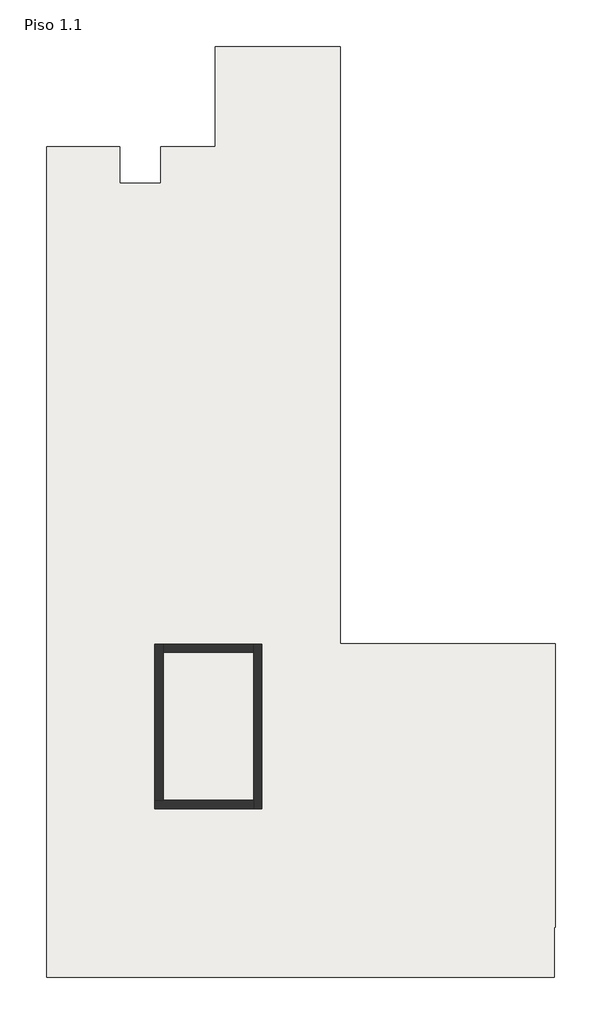
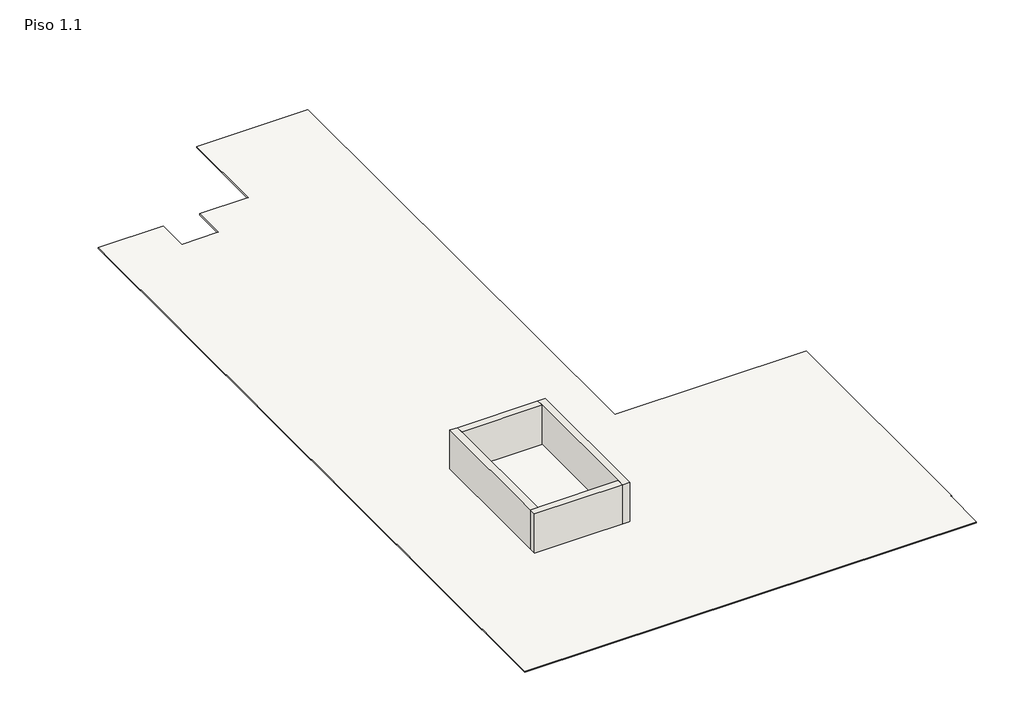
# One storey: 4 walls, 1 covering.
"""IFC4 building model written with IfcOpenShell, lengths in millimetres."""

from ifc_helpers import new_model, si_unit, frame, origin, place, context, project, spatial, polyline, outline, extrude, faceted_brep, element, save

model = new_model("IFC4")

# Units and contexts
model_context = context("Model", 3, world=origin())
ifc_project = project(units=[si_unit("LENGTHUNIT", "METRE", prefix="MILLI")], contexts=[model_context])

# Site, building, storey
site = spatial("IfcSite", under=ifc_project)
building = spatial("IfcBuilding", under=site)
storey = spatial("IfcBuildingStorey", under=building, Name="Piso 1.1", Elevation=4350.0)

# Covering
placement = place(None, origin())
element("IfcCovering", 1, ObjectType="Plain", at=placement, inside=storey, context=model_context, shape_type="SweptSolid", body=[
    extrude(outline(polyline([(-18482.9043354, 4503.1566153), (-18482.9043354, 8152.9554393), (-13951.0106474, 8152.9554393), (-13951.0106474, -13563.0489058), (-6129.4240003, -13563.0489058), (-6129.4240003, -23863.0489058), (-6168.8696752, -23863.0489058), (-6168.8696752, -25693.2007754), (-24621.0106474, -25693.2007754), (-24621.0106474, 4503.1566153), (-21955.9138061, 4503.1566153), (-21955.9138061, 3186.9510942), (-20465.9138061, 3186.9510942), (-20465.9138061, 4503.1566153), (-18482.9043354, 4503.1566153)])), frame((0.0, 0.0, 4350.0), z_axis=(0.0, 0.0, 1.0), x_axis=(1.0, 0.0, 0.0)), (0.0, 0.0, 1.0), 57.0),
])

# Walls
element("IfcWall", 2, ObjectType="Retaining - 300mm Concrete", at=placement, inside=storey, context=model_context, shape_type="Brep", body=[
    faceted_brep([(-17089.831051, -13578.5872468, 4350.0), (-17089.831051, -13878.5872468, 4350.0), (-17089.831051, -19255.0433146, 4350.0), (-17089.831051, -19555.0433146, 4350.0), (-17089.831051, -19555.0433146, 6100.0), (-17089.831051, -19255.0433146, 6100.0), (-17089.831051, -13878.5872468, 6100.0), (-17089.831051, -13578.5872468, 6100.0), (-16789.831051, -13578.5872468, 4350.0), (-16789.831051, -13578.5872468, 6100.0), (-16789.831051, -19555.0433146, 6100.0), (-16789.831051, -19555.0433146, 4350.0)], [[[0, 1, 2, 3, 4, 5, 6, 7]], [[8, 9, 10, 11]], [[3, 2, 1, 0, 8, 11]], [[7, 6, 5, 4, 10, 9]], [[4, 3, 11, 10]], [[0, 7, 9, 8]]]),
])
element("IfcWall", 3, ObjectType="Retaining - 300mm Concrete", at=placement, inside=storey, context=model_context, shape_type="Brep", body=[
    faceted_brep([(-17089.831051, -19255.0433146, 4350.0), (-20358.0106474, -19255.0433146, 4350.0), (-20386.1902437, -19255.0433146, 4350.0), (-20658.0106474, -19255.0433146, 4350.0), (-20686.1902437, -19255.0433146, 4350.0), (-20686.1902437, -19255.0433146, 6100.0), (-20386.1902437, -19255.0433146, 6100.0), (-17089.831051, -19255.0433146, 6100.0), (-17089.831051, -19555.0433146, 4350.0), (-17089.831051, -19555.0433146, 6100.0), (-20686.1902437, -19555.0433146, 6100.0), (-20686.1902437, -19555.0433146, 4350.0), (-20658.0106474, -19555.0433146, 4350.0), (-20488.0106474, -19555.0433146, 4350.0)], [[[0, 1, 2, 3, 4, 5, 6, 7]], [[8, 9, 10, 11, 12, 13]], [[4, 3, 2, 1, 0, 8, 13, 12, 11]], [[7, 6, 5, 10, 9]], [[0, 7, 9, 8]], [[5, 4, 11, 10]]]),
])
element("IfcWall", 4, ObjectType="Retaining - 300mm Concrete", at=placement, inside=storey, context=model_context, shape_type="Brep", body=[
    faceted_brep([(-20386.1902437, -19255.0433146, 4350.0), (-20386.1902437, -13878.5872468, 4350.0), (-20386.1902437, -13578.5872468, 4350.0), (-20386.1902437, -13578.5872468, 6100.0), (-20386.1902437, -13878.5872468, 6100.0), (-20386.1902437, -19255.0433146, 6100.0), (-20686.1902437, -19255.0433146, 4350.0), (-20686.1902437, -19255.0433146, 6100.0), (-20686.1902437, -13578.5872468, 6100.0), (-20686.1902437, -13578.5872468, 4350.0)], [[[0, 1, 2, 3, 4, 5]], [[6, 7, 8, 9]], [[2, 1, 0, 6, 9]], [[5, 4, 3, 8, 7]], [[0, 5, 7, 6]], [[3, 2, 9, 8]]]),
])
element("IfcWall", 5, ObjectType="Retaining - 300mm Concrete", at=placement, inside=storey, context=model_context, shape_type="SweptSolid", body=[
    extrude(outline(polyline([(-17089.831051, -13878.5872468), (-20386.1902437, -13878.5872468), (-20386.1902437, -13578.5872468), (-17089.831051, -13578.5872468), (-17089.831051, -13878.5872468)])), frame((0.0, 0.0, 4350.0), z_axis=(0.0, 0.0, 1.0), x_axis=(1.0, 0.0, 0.0)), (0.0, 0.0, 1.0), 1750.0),
])

save(model, "model.ifc")
